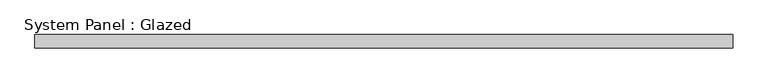
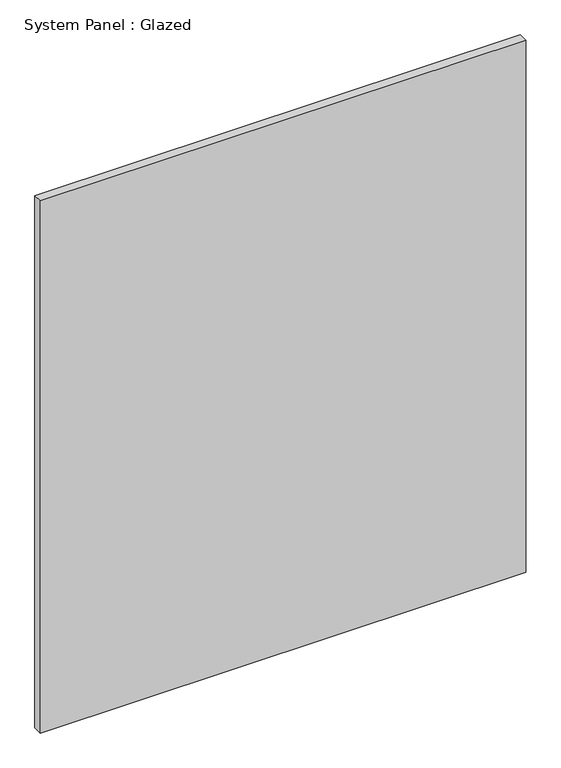
"""IFC4 building model written with IfcOpenShell, lengths in millimetres: plate geometry, System Panel : Glazed."""

from ifc_helpers import new_model, si_unit, origin, origin_with_axes, place, context, project, spatial, polyline, outline, extrude, source, transform, mapped, element, save


def system_panel_glazed_123f03a5(model_context):
    return source(origin(), model_context, "Body", "SweptSolid", [
        extrude(outline(polyline([(657.8125, 24.5), (-657.8125, 24.5), (-657.8125, 49.5), (657.8125, 49.5), (657.8125, 24.5)])), origin_with_axes(), (0.0, 0.0, 1.0), 1525.0),
    ])


if __name__ == "__main__":
    model = new_model("IFC4")
    model_context = context("Model", 3, world=origin())
    ifc_project = project(units=[si_unit("LENGTHUNIT", "METRE", prefix="MILLI")], contexts=[model_context])
    site = spatial("IfcSite", under=ifc_project)
    building = spatial("IfcBuilding", under=site)
    placement = place(None, origin())
    system_panel_glazed_shape = system_panel_glazed_123f03a5(model_context)
    element("IfcPlate", 1, ObjectType="System Panel : Glazed", at=placement, inside=building, context=model_context, shape_type="MappedRepresentation", body=[
        mapped(system_panel_glazed_shape, transform((0.0, 0.0, 0.0), x_axis=(1.0, 0.0, 0.0), y_axis=(0.0, 1.0, 0.0), z_axis=(0.0, 0.0, 1.0))),
    ])
    save(model, "model.ifc")
